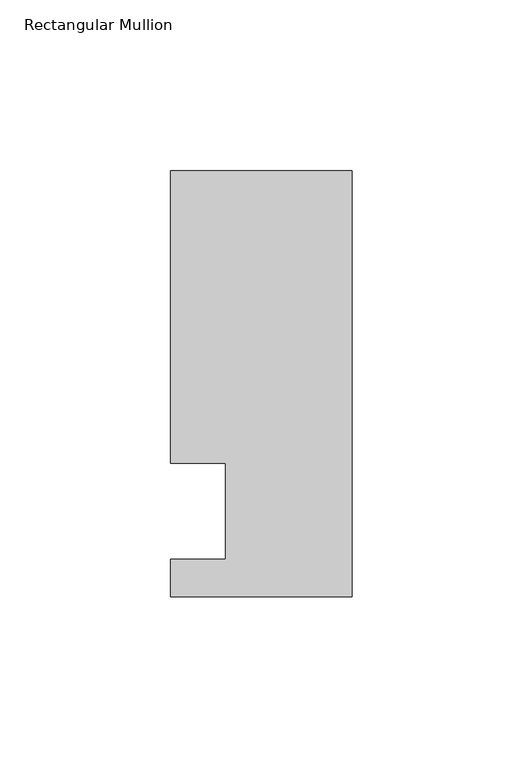
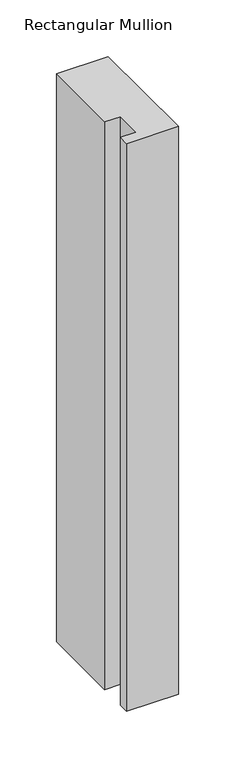
"""IFC4 building model written with IfcOpenShell, lengths in millimetres: member geometry, Rectangular Mullion."""

from ifc_helpers import new_model, si_unit, frame, origin, place, context, project, spatial, polyline, outline, extrude, source, transform, mapped, element, save


def rectangular_mullion_4ea8c1cd(model_context):
    return source(origin(), model_context, "Body", "SweptSolid", [
        extrude(outline(polyline([(-37.0, -13.9999453), (-37.0, 14.0000547), (-53.0, 14.0000547), (-53.0, 99.5000547), (0.0, 99.5000547), (0.0, -24.9999453), (-53.0, -24.9999453), (-53.0, -13.9999453), (-37.0, -13.9999453)])), frame((0.0, 0.0, -613.2487321), z_axis=(0.0, 0.0, 1.0), x_axis=(1.0, 0.0, 0.0)), (0.0, 0.0, 1.0), 613.2487321),
    ])


if __name__ == "__main__":
    model = new_model("IFC4")
    model_context = context("Model", 3, world=origin())
    ifc_project = project(units=[si_unit("LENGTHUNIT", "METRE", prefix="MILLI")], contexts=[model_context])
    site = spatial("IfcSite", under=ifc_project)
    building = spatial("IfcBuilding", under=site)
    placement = place(None, origin())
    rectangular_mullion_shape = rectangular_mullion_4ea8c1cd(model_context)
    element("IfcMember", 1, ObjectType="Rectangular Mullion", at=placement, inside=building, context=model_context, shape_type="MappedRepresentation", body=[
        mapped(rectangular_mullion_shape, transform((0.0, 0.0, 0.0), x_axis=(1.0, 0.0, 0.0), y_axis=(0.0, 1.0, 0.0), z_axis=(0.0, 0.0, 1.0))),
    ])
    save(model, "model.ifc")
